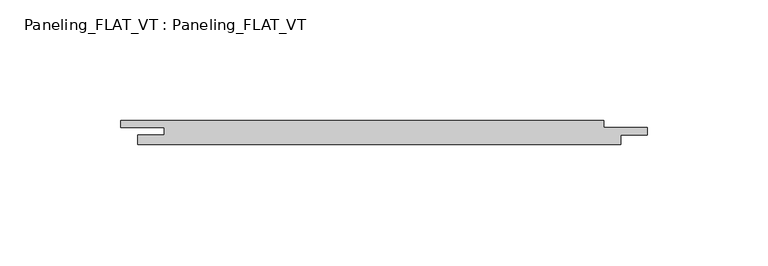
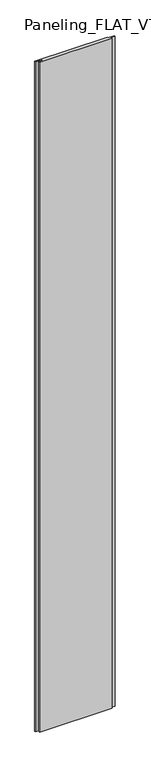
"""IFC4 building model written with IfcOpenShell, lengths in millimetres: plate geometry, Paneling_FLAT_VT : Paneling_FLAT_VT."""

from ifc_helpers import new_model, si_unit, origin, origin_with_axes, place, context, project, spatial, polyline, outline, extrude, source, transform, mapped, element, save


def paneling_flat_vt_paneling_flat_vt_9fd7be0b(model_context):
    return source(origin(), model_context, "Body", "SweptSolid", [
        extrude(outline(polyline([(93.0, 5.0), (93.0, 2.0), (111.0, 2.0), (111.0, -1.0), (100.0, -1.0), (100.0, -5.0), (-100.0, -5.0), (-100.0, -1.0), (-89.0, -1.0), (-89.0, 2.0), (-107.0, 2.0), (-107.0, 5.0), (93.0, 5.0)])), origin_with_axes(), (0.0, 0.0, 1.0), 1951.0),
    ])


if __name__ == "__main__":
    model = new_model("IFC4")
    model_context = context("Model", 3, world=origin())
    ifc_project = project(units=[si_unit("LENGTHUNIT", "METRE", prefix="MILLI")], contexts=[model_context])
    site = spatial("IfcSite", under=ifc_project)
    building = spatial("IfcBuilding", under=site)
    placement = place(None, origin())
    paneling_flat_vt_paneling_flat_vt_shape = paneling_flat_vt_paneling_flat_vt_9fd7be0b(model_context)
    element("IfcPlate", 1, ObjectType="Paneling_FLAT_VT : Paneling_FLAT_VT", at=placement, inside=building, context=model_context, shape_type="MappedRepresentation", body=[
        mapped(paneling_flat_vt_paneling_flat_vt_shape, transform((0.0, 0.0, 0.0), x_axis=(1.0, 0.0, 0.0), y_axis=(0.0, 1.0, 0.0), z_axis=(0.0, 0.0, 1.0))),
    ])
    save(model, "model.ifc")
